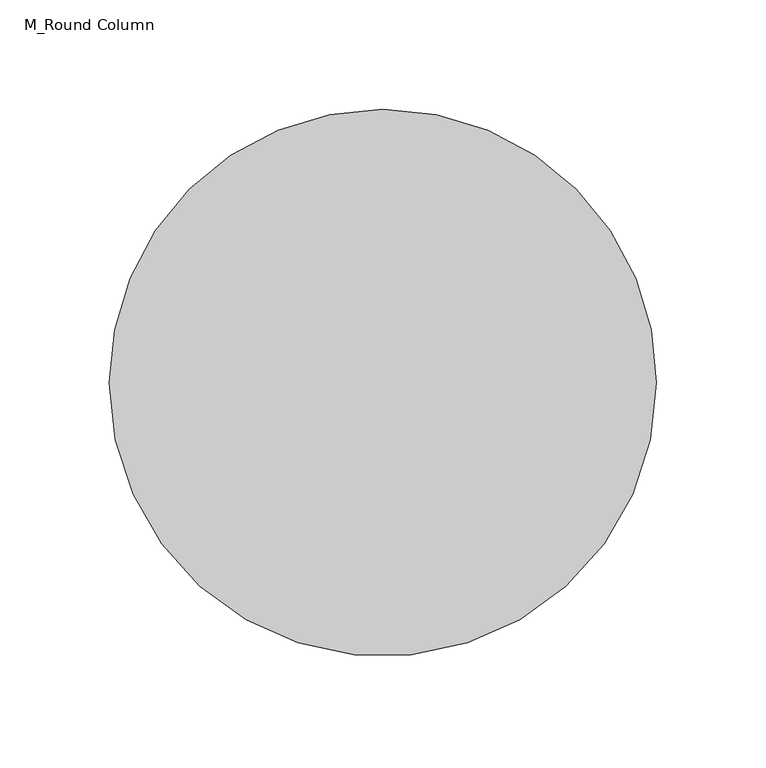
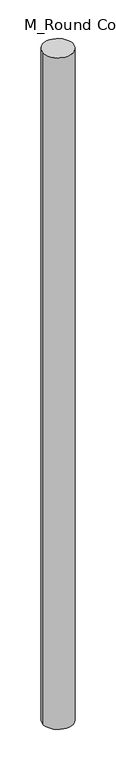
"""IFC4 building model written with IfcOpenShell, lengths in millimetres: column geometry, M_Round Column."""

from ifc_helpers import new_model, si_unit, point, origin, origin_with_axes, origin_2d, place, context, project, spatial, circle_curve, trimmed, segment, composite_curve, outline, extrude, source, transform, mapped, element, save


def m_round_column_8746a94d(model_context):
    return source(origin(), model_context, "Body", "SweptSolid", [
        extrude(outline(composite_curve([segment(trimmed(circle_curve(origin_2d(), 125.0), [point((125.0, 0.0))], [point((-125.0, 0.0))], False, "CARTESIAN"), True, "CONTINUOUS"), segment(trimmed(circle_curve(origin_2d(), 125.0), [point((-125.0, 0.0))], [point((0.0, 125.0))], False, "CARTESIAN"), True, "CONTINUOUS"), segment(trimmed(circle_curve(origin_2d(), 125.0), [point((0.0, 125.0))], [point((125.0, 0.0))], False, "CARTESIAN"), True, "CONTINUOUS")], self_intersect=False)), origin_with_axes(), (0.0, 0.0, 1.0), 6000.0),
    ])


if __name__ == "__main__":
    model = new_model("IFC4")
    model_context = context("Model", 3, world=origin())
    ifc_project = project(units=[si_unit("LENGTHUNIT", "METRE", prefix="MILLI")], contexts=[model_context])
    site = spatial("IfcSite", under=ifc_project)
    building = spatial("IfcBuilding", under=site)
    placement = place(None, origin())
    m_round_column_shape = m_round_column_8746a94d(model_context)
    element("IfcColumn", 1, ObjectType="M_Round Column", at=placement, inside=building, context=model_context, shape_type="MappedRepresentation", body=[
        mapped(m_round_column_shape, transform((0.0, 0.0, 0.0), x_axis=(1.0, 0.0, 0.0), y_axis=(0.0, 1.0, 0.0), z_axis=(0.0, 0.0, 1.0))),
    ])
    save(model, "model.ifc")
